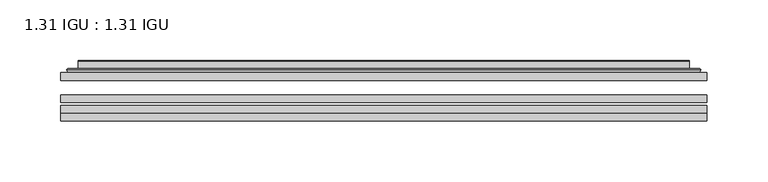
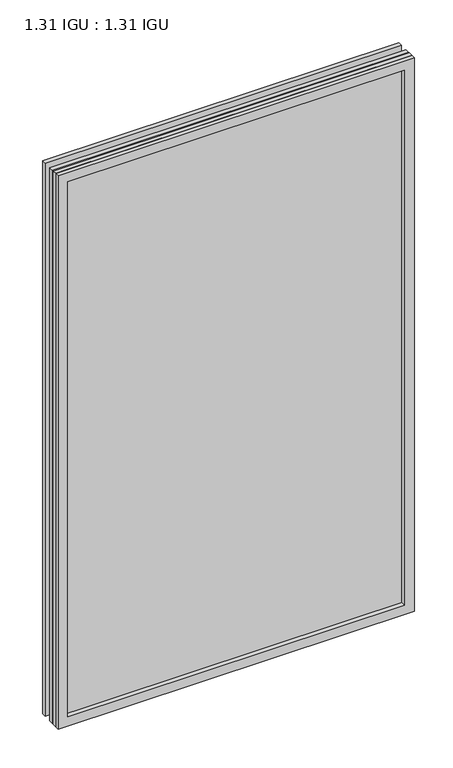
"""IFC4 building model written with IfcOpenShell, lengths in millimetres: plate geometry, 1.31 IGU : 1.31 IGU."""

from ifc_helpers import new_model, si_unit, frame, origin, place, context, project, spatial, polyline, ellipse_curve, outline, extrude, faceted_brep, source, transform, mapped, element, save
from ifc_brep_helpers import plane_surface, cylinder_surface, advanced_brep


def plate_1_31_igu_1_31_igu_6cba0178(model_context):
    return source(origin(), model_context, "Body", "SolidModel", [
        extrude(outline(polyline([(265.126675, -63.2975937), (265.126675, -69.6475938), (-265.1125, -69.6475938), (-265.1125, -63.2975937), (265.126675, -63.2975937)])), frame((0.0, 0.0, -14.2875), z_axis=(0.0, 0.0, 1.0), x_axis=(1.0, 0.0, 0.0)), (0.0, 0.0, 1.0), 869.9537979),
        extrude(outline(polyline([(-265.1125, -78.2835938), (-265.1125, -71.9330887), (265.126675, -71.9330887), (265.126675, -78.2835938), (-265.1125, -78.2835938)])), frame((0.0, 0.0, -14.2875), z_axis=(0.0, 0.0, 1.0), x_axis=(1.0, 0.0, 0.0)), (0.0, 0.0, 1.0), 869.9537979),
        extrude(outline(polyline([(265.126675, -44.9587937), (265.126675, -51.3087938), (-265.1125, -51.3087938), (-265.1125, -44.9587937), (265.126675, -44.9587937)])), frame((0.0, 0.0, -14.2875), z_axis=(0.0, 0.0, 1.0), x_axis=(1.0, 0.0, 0.0)), (0.0, 0.0, 1.0), 869.9537979),
        faceted_brep([(-265.1252, -84.6335937, 855.6752), (-265.1252, -78.2835937, 855.6752), (-265.1252, -78.2835937, -14.3002), (-265.1252, -84.6335937, -14.3002), (265.1252, -78.2835937, -14.3002), (265.1252, -84.6335937, -14.3002), (265.1252, -78.2835937, 855.6752), (265.1252, -84.6335937, 855.6752), (-249.9272559, -78.2835937, 0.8977441), (249.9272559, -78.2835937, 0.8977441), (249.9272559, -78.2835937, 840.4772559), (-249.9272559, -78.2835937, 840.4772559), (-250.8196902, -84.6335937, 841.3696902), (250.8196902, -84.6335937, 841.3696902), (250.8196902, -84.6335937, 0.0053098), (-250.8196902, -84.6335937, 0.0053098)], [[[0, 1, 2, 3]], [[3, 2, 4, 5]], [[5, 4, 6, 7]], [[1, 6, 4, 2], [8, 9, 10, 11]], [[7, 6, 1, 0]], [[3, 5, 7, 0], [12, 13, 14, 15]], [[11, 12, 15, 8]], [[8, 15, 14, 9]], [[9, 14, 13, 10]], [[10, 13, 12, 11]]]),
        advanced_brep(
        [(-257.871219, -44.9587937, 848.421219), (-260.2254244, -42.9691271, 850.7754244), (-260.2254244, -42.9691271, -9.4004244), (-257.871219, -44.9587937, -7.046219), (-248.7968939, -41.1187568, 839.3468939), (-243.8620621, -44.9587937, 834.4120621), (-243.8620621, -44.9587937, 6.9629379), (-248.7968939, -41.1187568, 2.0281061), (-249.8289217, -35.7215256, 840.3789217), (-249.8289217, -35.7215256, 0.9960783), (-250.8195784, -35.3225507, 841.3695784), (-250.8195784, -35.3225507, 0.0054216), (-250.8195784, -41.7837937, 841.3695784), (-250.8195784, -41.7837937, 0.0054216), (-259.2236349, -41.7837937, 849.7736349), (-259.2236349, -41.7837937, -8.3986349), (260.2254244, -42.9691271, -9.4004244), (257.871219, -44.9587937, -7.046219), (243.8620621, -44.9587937, 6.9629379), (248.7968939, -41.1187568, 2.0281061), (249.8289217, -35.7215256, 0.9960783), (250.8195784, -35.3225507, 0.0054216), (250.8195784, -41.7837937, 0.0054216), (259.2236349, -41.7837937, -8.3986349), (260.2254244, -42.9691271, 850.7754244), (257.871219, -44.9587937, 848.421219), (243.8620621, -44.9587937, 834.4120621), (248.7968939, -41.1187568, 839.3468939), (249.8289217, -35.7215256, 840.3789217), (250.8195784, -35.3225507, 841.3695784), (250.8195784, -41.7837937, 841.3695784), (259.2236349, -41.7837937, 849.7736349)],
        [
            (0, 1, ellipse_curve(frame((-257.871219, -42.5711937, 848.421219), z_axis=(-0.7071067811865475, 0.0, -0.7071067811865475), x_axis=(-0.7071067811865474, 0.0, 0.7071067811865476)), 3.3765763, 2.3876)),
            (1, 2),
            (2, 3, ellipse_curve(frame((-257.871219, -42.5711937, -7.046219), z_axis=(-0.7071067811865475, 0.0, 0.7071067811865475), x_axis=(0.7071067811865474, 0.0, 0.7071067811865476)), 3.3765763, 2.3876)),
            (3, 0),
            (4, 5),
            (5, 6),
            (6, 7),
            (7, 4),
            (8, 4),
            (7, 9),
            (9, 8),
            (10, 8, ellipse_curve(frame((-250.4526219, -35.840786, 841.0026219), z_axis=(-0.7071067811865475, 0.0, -0.7071067811865475), x_axis=(-0.7071067811865474, 0.0, 0.7071067811865476)), 0.8980256, 0.635)),
            (9, 11, ellipse_curve(frame((-250.4526219, -35.840786, 0.3723781), z_axis=(-0.7071067811865475, 0.0, 0.7071067811865475), x_axis=(0.7071067811865474, 0.0, 0.7071067811865476)), 0.8980256, 0.635)),
            (11, 10),
            (12, 10),
            (11, 13),
            (13, 12),
            (1, 14, ellipse_curve(frame((-259.2236349, -42.7997937, 849.7736349), z_axis=(-0.7071067811865475, 0.0, -0.7071067811865475), x_axis=(-0.7071067811865474, 0.0, 0.7071067811865476)), 1.436841, 1.016)),
            (14, 15),
            (15, 2, ellipse_curve(frame((-259.2236349, -42.7997937, -8.3986349), z_axis=(-0.7071067811865475, 0.0, 0.7071067811865475), x_axis=(0.7071067811865474, 0.0, 0.7071067811865476)), 1.436841, 1.016)),
            (2, 16),
            (16, 17, ellipse_curve(frame((257.871219, -42.5711937, -7.046219), z_axis=(-0.7071067811865475, 0.0, -0.7071067811865475), x_axis=(-0.7071067811865476, 0.0, 0.7071067811865474)), 3.3765763, 2.3876)),
            (17, 3),
            (6, 18),
            (18, 19),
            (19, 7),
            (19, 20),
            (20, 9),
            (20, 21, ellipse_curve(frame((250.4526219, -35.840786, 0.3723781), z_axis=(-0.7071067811865475, 0.0, -0.7071067811865475), x_axis=(-0.7071067811865476, 0.0, 0.7071067811865474)), 0.8980256, 0.635)),
            (21, 11),
            (21, 22),
            (22, 13),
            (15, 23),
            (23, 16, ellipse_curve(frame((259.2236349, -42.7997937, -8.3986349), z_axis=(-0.7071067811865475, 0.0, -0.7071067811865475), x_axis=(-0.7071067811865476, 0.0, 0.7071067811865474)), 1.436841, 1.016)),
            (16, 24),
            (24, 25, ellipse_curve(frame((257.871219, -42.5711937, 848.421219), z_axis=(0.7071067811865475, 0.0, -0.7071067811865475), x_axis=(-0.7071067811865474, 0.0, -0.7071067811865476)), 3.3765763, 2.3876)),
            (25, 17),
            (18, 26),
            (26, 27),
            (27, 19),
            (27, 28),
            (28, 20),
            (28, 29, ellipse_curve(frame((250.4526219, -35.840786, 841.0026219), z_axis=(0.7071067811865475, 0.0, -0.7071067811865475), x_axis=(-0.7071067811865474, 0.0, -0.7071067811865476)), 0.8980256, 0.635)),
            (29, 21),
            (29, 30),
            (30, 22),
            (23, 31),
            (31, 24, ellipse_curve(frame((259.2236349, -42.7997937, 849.7736349), z_axis=(0.7071067811865475, 0.0, -0.7071067811865475), x_axis=(-0.7071067811865474, 0.0, -0.7071067811865476)), 1.436841, 1.016)),
            (24, 1),
            (0, 25),
            (5, 26),
            (4, 27),
            (8, 28),
            (10, 29),
            (12, 30),
            (14, 31),
        ],
        [
            cylinder_surface(frame((-257.871219, -42.5711937, 873.125), z_axis=(0.0, 0.0, 1.0), x_axis=(-1.0, 0.0, 0.0)), 2.3876),
            plane_surface(frame((-243.8620621, -44.9587937, 834.4120621), z_axis=(0.6141233906514794, 0.7892100234124821, 0.0), x_axis=(0.0, 0.0, -1.0))),
            plane_surface(frame((-248.7968939, -41.1187568, 839.3468939), z_axis=(0.9822050625507729, 0.18781164793386076, 0.0), x_axis=(0.0, 0.0, -1.0))),
            cylinder_surface(frame((-250.4526219, -35.840786, 873.125), z_axis=(0.0, 0.0, 1.0), x_axis=(-1.0, 0.0, 0.0)), 0.635),
            plane_surface(frame((-250.8195784, -35.3225507, 841.3695784), z_axis=(-1.0, 0.0, 0.0), x_axis=(0.0, 0.0, -1.0))),
            cylinder_surface(frame((-259.2236349, -42.7997937, 873.125), z_axis=(0.0, 0.0, 1.0), x_axis=(-1.0, 0.0, 0.0)), 1.016),
            cylinder_surface(frame((-282.575, -42.5711937, -7.046219), z_axis=(-1.0, 0.0, 0.0), x_axis=(0.0, 0.0, -1.0)), 2.3876),
            plane_surface(frame((-243.8620621, -44.9587937, 6.9629379), z_axis=(0.0, 0.7892100234124841, 0.6141233906514768), x_axis=(1.0, 0.0, 0.0))),
            plane_surface(frame((-248.7968939, -41.1187568, 2.0281061), z_axis=(0.0, 0.18781164793386393, 0.9822050625507723), x_axis=(1.0, 0.0, 0.0))),
            cylinder_surface(frame((-282.575, -35.840786, 0.3723781), z_axis=(-1.0, 0.0, 0.0), x_axis=(0.0, 0.0, -1.0)), 0.635),
            plane_surface(frame((-250.8195784, -35.3225507, 0.0054216), z_axis=(0.0, 0.0, -1.0), x_axis=(1.0, 0.0, 0.0))),
            cylinder_surface(frame((-282.575, -42.7997937, -8.3986349), z_axis=(-1.0, 0.0, 0.0), x_axis=(0.0, 0.0, -1.0)), 1.016),
            cylinder_surface(frame((257.871219, -42.5711937, -31.75), z_axis=(0.0, 0.0, -1.0), x_axis=(1.0, 0.0, 0.0)), 2.3876),
            plane_surface(frame((243.8620621, -44.9587937, 6.9629379), z_axis=(-0.6141233906514743, 0.7892100234124861, 0.0), x_axis=(0.0, 0.0, 1.0))),
            plane_surface(frame((248.7968939, -41.1187568, 2.0281061), z_axis=(-0.9822050625507718, 0.1878116479338671, 0.0), x_axis=(0.0, 0.0, 1.0))),
            cylinder_surface(frame((250.4526219, -35.840786, -31.75), z_axis=(0.0, 0.0, -1.0), x_axis=(1.0, 0.0, 0.0)), 0.635),
            plane_surface(frame((250.8195784, -35.3225507, 0.0054216), z_axis=(1.0, 0.0, 0.0), x_axis=(0.0, 0.0, 1.0))),
            cylinder_surface(frame((259.2236349, -42.7997937, -31.75), z_axis=(0.0, 0.0, -1.0), x_axis=(1.0, 0.0, 0.0)), 1.016),
            cylinder_surface(frame((282.575, -42.5711937, 848.421219), z_axis=(1.0, 0.0, 0.0), x_axis=(0.0, 0.0, 1.0)), 2.3876),
            plane_surface(frame((257.871219, -44.9587937, 848.421219), z_axis=(0.0, -1.0, 0.0), x_axis=(-1.0, 0.0, 0.0))),
            plane_surface(frame((243.8620621, -44.9587937, 834.4120621), z_axis=(0.0, 0.7892100234124841, -0.6141233906514768), x_axis=(-1.0, 0.0, 0.0))),
            plane_surface(frame((248.7968939, -41.1187568, 839.3468939), z_axis=(0.0, 0.18781164793386393, -0.9822050625507723), x_axis=(-1.0, 0.0, 0.0))),
            cylinder_surface(frame((282.575, -35.840786, 841.0026219), z_axis=(1.0, 0.0, 0.0), x_axis=(0.0, 0.0, 1.0)), 0.635),
            plane_surface(frame((250.8195784, -35.3225507, 841.3695784), z_axis=(0.0, 0.0, 1.0), x_axis=(-1.0, 0.0, 0.0))),
            plane_surface(frame((250.8195784, -41.7837937, 841.3695784), z_axis=(0.0, 1.0, 0.0), x_axis=(-1.0, 0.0, 0.0))),
            cylinder_surface(frame((282.575, -42.7997937, 849.7736349), z_axis=(1.0, 0.0, 0.0), x_axis=(0.0, 0.0, 1.0)), 1.016),
        ],
        [
            (0, [[1, 2, 3, 4]]),
            (1, [[5, 6, 7, 8]]),
            (2, [[9, -8, 10, 11]]),
            (3, [[12, -11, 13, 14]]),
            (4, [[15, -14, 16, 17]]),
            (5, [[18, 19, 20, -2]]),
            (6, [[-3, 21, 22, 23]]),
            (7, [[-7, 24, 25, 26]]),
            (8, [[-10, -26, 27, 28]]),
            (9, [[-13, -28, 29, 30]]),
            (10, [[-16, -30, 31, 32]]),
            (11, [[-20, 33, 34, -21]]),
            (12, [[-22, 35, 36, 37]]),
            (13, [[-25, 38, 39, 40]]),
            (14, [[-27, -40, 41, 42]]),
            (15, [[-29, -42, 43, 44]]),
            (16, [[-31, -44, 45, 46]]),
            (17, [[-34, 47, 48, -35]]),
            (18, [[-36, 49, -1, 50]]),
            (19, [[-23, -37, -50, -4], [51, -38, -24, -6]]),
            (20, [[-39, -51, -5, 52]]),
            (21, [[-41, -52, -9, 53]]),
            (22, [[-43, -53, -12, 54]]),
            (23, [[-45, -54, -15, 55]]),
            (24, [[56, -47, -33, -19], [-32, -46, -55, -17]]),
            (25, [[-48, -56, -18, -49]]),
        ],
    ),
    ])


if __name__ == "__main__":
    model = new_model("IFC4")
    model_context = context("Model", 3, world=origin())
    ifc_project = project(units=[si_unit("LENGTHUNIT", "METRE", prefix="MILLI")], contexts=[model_context])
    site = spatial("IfcSite", under=ifc_project)
    building = spatial("IfcBuilding", under=site)
    placement = place(None, origin())
    plate_1_31_igu_1_31_igu_shape = plate_1_31_igu_1_31_igu_6cba0178(model_context)
    element("IfcPlate", 1, ObjectType="1.31 IGU : 1.31 IGU", at=placement, inside=building, context=model_context, shape_type="MappedRepresentation", body=[
        mapped(plate_1_31_igu_1_31_igu_shape, transform((0.0, 0.0, 0.0), x_axis=(1.0, 0.0, 0.0), y_axis=(0.0, 1.0, 0.0), z_axis=(0.0, 0.0, 1.0))),
    ])
    save(model, "model.ifc")
